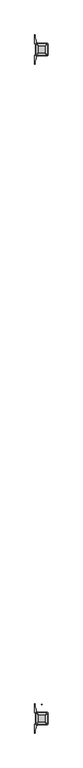
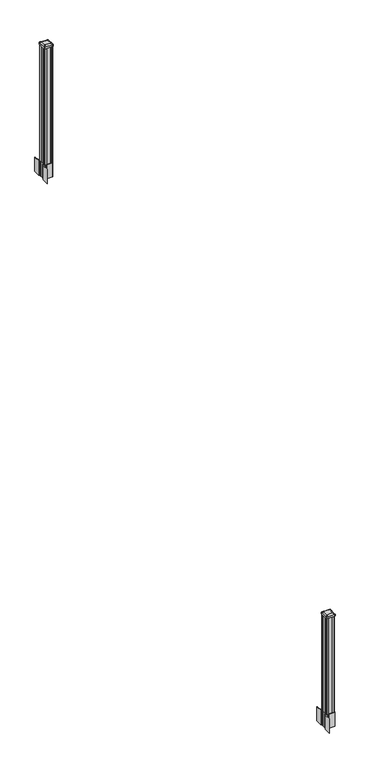
"""IFC4 building model written with IfcOpenShell, lengths in millimetres: railing geometry."""

from ifc_helpers import new_model, si_unit, point, frame, frame_2d, origin, place, context, project, spatial, polyline, circle_curve, trimmed, segment, composite_curve, outline, extrude, source, transform, mapped, element, save
from ifc_brep_helpers import plane_surface, extruded_surface, advanced_brep


def railing_83df1b9d(model_context):
    return source(origin(), model_context, "Body", "SolidModel", [
        extrude(outline(composite_curve([segment(trimmed(circle_curve(frame_2d((8331.6376478, -87394.9628453)), 1.5875), [point((8333.2251478, -87394.9628453))], [point((8331.6376478, -87396.5503453))], False, "CARTESIAN"), True, "CONTINUOUS"), segment(trimmed(circle_curve(frame_2d((8331.6376478, -87394.9628453)), 1.5875), [point((8331.6376478, -87396.5503453))], [point((8330.0501478, -87394.9628453))], False, "CARTESIAN"), True, "CONTINUOUS"), segment(trimmed(circle_curve(frame_2d((8331.6376478, -87394.9628453)), 1.5875), [point((8330.0501478, -87394.9628453))], [point((8331.6376478, -87393.3753453))], False, "CARTESIAN"), True, "CONTINUOUS"), segment(trimmed(circle_curve(frame_2d((8331.6376478, -87394.9628453)), 1.5875), [point((8331.6376478, -87393.3753453))], [point((8333.2251478, -87394.9628453))], False, "CARTESIAN"), True, "CONTINUOUS")], self_intersect=False)), frame((0.0, 0.0, 331.7833781), z_axis=(0.0, 0.0, 1.0), x_axis=(1.0, 0.0, 0.0)), (0.0, 0.0, 1.0), 812.8041219),
        extrude(outline(polyline([(8291.9501478, -82581.5358453), (8290.3626478, -82579.9483453), (8290.3626478, -82560.3268453), (8291.9501478, -82559.5648453), (8291.9501478, -82520.9568453), (8290.3626478, -82520.1948453), (8290.3626478, -82500.5733453), (8291.9501478, -82498.9858453), (8311.5716478, -82498.9858453), (8312.3336478, -82500.5733453), (8350.9416478, -82500.5733453), (8351.7036478, -82498.9858453), (8371.3251478, -82498.9858453), (8372.9126478, -82500.5733453), (8372.9126478, -82520.1948453), (8371.3251478, -82520.9568453), (8371.3251478, -82559.5648453), (8372.9126478, -82560.3268453), (8372.9126478, -82579.9483453), (8371.3251478, -82581.5358453), (8351.7036478, -82581.5358453), (8350.9416478, -82579.9483453), (8312.3336478, -82579.9483453), (8311.5716478, -82581.5358453), (8291.9501478, -82581.5358453)])), frame((0.0, 0.0, 3048.0), z_axis=(0.0, 0.0, 1.0), x_axis=(1.0, 0.0, 0.0)), (0.0, 0.0, 1.0), 1247.740513),
        extrude(outline(composite_curve([segment(polyline([(8374.3731478, -82557.6469401), (8375.9606478, -82558.4089401), (8375.9606478, -82581.2108682), (8372.5876707, -82584.5838453), (8311.1279999, -82584.5838453), (8311.1279999, -82585.5045953), (8305.8104561, -82585.5045953), (8305.8104561, -82586.95885), (8300.7259264, -82586.95885), (8300.7259264, -82588.2428738), (8299.0586541, -82588.2428738)]), True, "CONTINUOUS"), segment(trimmed(circle_curve(frame_2d((8299.0586541, -82595.3023337)), 7.0594599), [point((8299.0586541, -82588.2428738))], [point((8292.2913912, -82593.292327))], True, "CARTESIAN"), True, "CONTINUOUS"), segment(polyline([(8292.2913912, -82593.292327), (8284.4171969, -82619.8030561)]), True, "CONTINUOUS"), segment(trimmed(circle_curve(frame_2d((8339.2017103, -82636.0751057)), 57.15), [point((8284.4171969, -82619.8030561))], [point((8282.0517103, -82636.0751057))], True, "CARTESIAN"), True, "CONTINUOUS"), segment(polyline([(8282.0517103, -82636.0751057), (8282.0517103, -82648.0838453), (8279.0517103, -82648.0838453), (8279.0517103, -82582.9963453), (8287.3146478, -82571.658054), (8287.3146478, -82558.4089401), (8288.9021478, -82557.6469401), (8288.9021478, -82522.8747504), (8287.3146478, -82522.1127504), (8287.3146478, -82508.8636366), (8279.0517103, -82497.5253453), (8279.0517103, -82432.4378453), (8282.0517103, -82432.4378453), (8282.0517103, -82444.4465848)]), True, "CONTINUOUS"), segment(trimmed(circle_curve(frame_2d((8339.2017103, -82444.4465848)), 57.15), [point((8282.0517103, -82444.4465848))], [point((8284.4171969, -82460.7186345))], True, "CARTESIAN"), True, "CONTINUOUS"), segment(polyline([(8284.4171969, -82460.7186345), (8292.2913912, -82487.2293636)]), True, "CONTINUOUS"), segment(trimmed(circle_curve(frame_2d((8299.0586541, -82485.2193569)), 7.0594599), [point((8292.2913912, -82487.2293636))], [point((8299.0586541, -82492.2788168))], True, "CARTESIAN"), True, "CONTINUOUS"), segment(polyline([(8299.0586541, -82492.2788168), (8300.7259264, -82492.2788168), (8300.7259264, -82493.5628406), (8305.8104561, -82493.5628406), (8305.8104561, -82495.0170953), (8311.1279999, -82495.0170953), (8311.1279999, -82495.9378453), (8372.5876707, -82495.9378453), (8375.9606478, -82499.3108224), (8375.9606478, -82522.1127504), (8374.3731478, -82522.8747504), (8374.3731478, -82557.6469401)]), True, "CONTINUOUS")], self_intersect=False), holes=[polyline([(8290.3626478, -82500.5733453), (8290.3626478, -82579.9483453), (8291.9501478, -82581.5358453), (8328.8744304, -82581.5358453), (8371.3251478, -82581.5358453), (8372.9126478, -82579.9483453), (8372.9126478, -82500.5733453), (8371.3251478, -82498.9858453), (8328.8744304, -82498.9858453), (8291.9501478, -82498.9858453), (8290.3626478, -82500.5733453)])]), frame((0.0, 0.0, 2895.6), z_axis=(0.0, 0.0, 1.0), x_axis=(1.0, 0.0, 0.0)), (0.0, 0.0, 1.0), 152.4),
        advanced_brep(
        [(8305.8407728, -82569.2327203, 4324.315513), (8357.4345228, -82569.2327203, 4324.315513), (8360.6095228, -82566.0577203, 4324.315513), (8360.6095228, -82514.4639703, 4324.315513), (8357.4345228, -82511.2889703, 4324.315513), (8305.8407728, -82511.2889703, 4324.315513), (8302.6657728, -82514.4639703, 4324.315513), (8302.6657728, -82566.0577203, 4324.315513), (8289.5688978, -82585.5045953, 4313.012513), (8286.3938978, -82582.3295953, 4313.012513), (8286.3938978, -82498.1920953, 4313.012513), (8289.5688978, -82495.0170953, 4313.012513), (8373.7063978, -82495.0170953, 4313.012513), (8376.8813978, -82498.1920953, 4313.012513), (8376.8813978, -82582.3295953, 4313.012513), (8373.7063978, -82585.5045953, 4313.012513)],
        [
            (0, 1),
            (1, 2, circle_curve(frame((8357.4345228, -82566.0577203, 4324.315513), z_axis=(0.0, 0.0, 1.0), x_axis=(0.0, 1.0, 0.0)), 3.175)),
            (2, 3),
            (3, 4, circle_curve(frame((8357.4345228, -82514.4639703, 4324.315513), z_axis=(0.0, 0.0, 1.0), x_axis=(0.0, 1.0, 0.0)), 3.175)),
            (4, 5),
            (5, 6, circle_curve(frame((8305.8407728, -82514.4639703, 4324.315513), z_axis=(0.0, 0.0, 1.0), x_axis=(0.0, 1.0, 0.0)), 3.175)),
            (6, 7),
            (7, 0, circle_curve(frame((8305.8407728, -82566.0577203, 4324.315513), z_axis=(0.0, 0.0, 1.0), x_axis=(0.0, 1.0, 0.0)), 3.175)),
            (8, 9, circle_curve(frame((8289.5688978, -82582.3295953, 4313.012513), z_axis=(0.0, 0.0, -1.0), x_axis=(0.0, 1.0, 0.0)), 3.175)),
            (9, 10),
            (10, 11, circle_curve(frame((8289.5688978, -82498.1920953, 4313.012513), z_axis=(0.0, 0.0, -1.0), x_axis=(0.0, 1.0, 0.0)), 3.175)),
            (11, 12),
            (12, 13, circle_curve(frame((8373.7063978, -82498.1920953, 4313.012513), z_axis=(0.0, 0.0, -1.0), x_axis=(0.0, 1.0, 0.0)), 3.175)),
            (13, 14),
            (14, 15, circle_curve(frame((8373.7063978, -82582.3295953, 4313.012513), z_axis=(0.0, 0.0, -1.0), x_axis=(0.0, 1.0, 0.0)), 3.175)),
            (15, 8),
            (8, 0),
            (7, 9),
            (6, 10),
            (5, 11),
            (4, 12),
            (3, 13),
            (2, 14),
            (1, 15),
        ],
        [
            plane_surface(frame((8331.6376478, -82540.2608453, 4324.315513), z_axis=(0.0, 0.0, 1.0), x_axis=(-1.0, 0.0, 0.0))),
            plane_surface(frame((8331.6376478, -82540.2608453, 4313.012513), z_axis=(0.0, 0.0, -1.0), x_axis=(-1.0, 0.0, 0.0))),
            extruded_surface(trimmed(circle_curve(frame((8305.8407728, -82566.0577203, 4324.315513), z_axis=(0.0, 0.0, -1.0), x_axis=(0.0, 1.0, 0.0)), 3.175), [point((8305.8407728, -82569.2327203, 4324.315513))], [point((8302.6657728, -82566.0577203, 4324.315513))], True, "CARTESIAN"), (-16.271875000000364, -16.27187500000582, -11.302999999999884), 25.637972638870036),
            plane_surface(frame((8286.3938978, -82540.2608453, 4313.012513), z_axis=(-0.5705009161540687, 0.0, 0.8212969649690472), x_axis=(0.0, 1.0, 0.0))),
            extruded_surface(trimmed(circle_curve(frame((8305.8407728, -82514.4639703, 4324.315513), z_axis=(0.0, 0.0, -1.0), x_axis=(0.0, 1.0, 0.0)), 3.175), [point((8302.6657728, -82514.4639703, 4324.315513))], [point((8305.8407728, -82511.2889703, 4324.315513))], True, "CARTESIAN"), (-16.271875000000364, 16.27187500000582, -11.302999999999884), 25.637972638870036),
            plane_surface(frame((8331.6376478, -82495.0170953, 4313.012513), z_axis=(0.0, 0.5705009161540291, 0.8212969649690747), x_axis=(1.0, 0.0, 0.0))),
            extruded_surface(trimmed(circle_curve(frame((8357.4345228, -82514.4639703, 4324.315513), z_axis=(0.0, 0.0, -1.0), x_axis=(0.0, 1.0, 0.0)), 3.175), [point((8357.4345228, -82511.2889703, 4324.315513))], [point((8360.6095228, -82514.4639703, 4324.315513))], True, "CARTESIAN"), (16.271875000000364, 16.27187500000582, -11.302999999999884), 25.637972638870036),
            plane_surface(frame((8376.8813978, -82540.2608453, 4313.012513), z_axis=(0.5705009161540233, 0.0, 0.8212969649690787), x_axis=(0.0, -1.0, 0.0))),
            extruded_surface(trimmed(circle_curve(frame((8357.4345228, -82566.0577203, 4324.315513), z_axis=(0.0, 0.0, -1.0), x_axis=(0.0, 1.0, 0.0)), 3.175), [point((8360.6095228, -82566.0577203, 4324.315513))], [point((8357.4345228, -82569.2327203, 4324.315513))], True, "CARTESIAN"), (16.271875000000364, -16.27187500000582, -11.302999999999884), 25.637972638870036),
            plane_surface(frame((8331.6376478, -82585.5045953, 4313.012513), z_axis=(0.0, -0.570500916154034, 0.8212969649690713), x_axis=(-1.0, 0.0, 0.0))),
        ],
        [
            (0, [[1, 2, 3, 4, 5, 6, 7, 8]]),
            (1, [[9, 10, 11, 12, 13, 14, 15, 16]]),
            (2, [[17, -8, 18, -9]]),
            (3, [[-18, -7, 19, -10]]),
            (4, [[-19, -6, 20, -11]]),
            (5, [[-20, -5, 21, -12]]),
            (6, [[-21, -4, 22, -13]]),
            (7, [[-22, -3, 23, -14]]),
            (8, [[-23, -2, 24, -15]]),
            (9, [[-24, -1, -17, -16]]),
        ],
    ),
        extrude(outline(composite_curve([segment(trimmed(circle_curve(frame_2d((8289.5688978, -82582.3295953)), 3.175), [point((8289.5688978, -82585.5045953))], [point((8286.3938978, -82582.3295953))], False, "CARTESIAN"), True, "CONTINUOUS"), segment(polyline([(8286.3938978, -82582.3295953), (8286.3938978, -82498.1920953)]), True, "CONTINUOUS"), segment(trimmed(circle_curve(frame_2d((8289.5688978, -82498.1920953)), 3.175), [point((8286.3938978, -82498.1920953))], [point((8289.5688978, -82495.0170953))], False, "CARTESIAN"), True, "CONTINUOUS"), segment(polyline([(8289.5688978, -82495.0170953), (8373.7063978, -82495.0170953)]), True, "CONTINUOUS"), segment(trimmed(circle_curve(frame_2d((8373.7063978, -82498.1920953)), 3.175), [point((8373.7063978, -82495.0170953))], [point((8376.8813978, -82498.1920953))], False, "CARTESIAN"), True, "CONTINUOUS"), segment(polyline([(8376.8813978, -82498.1920953), (8376.8813978, -82582.3295953)]), True, "CONTINUOUS"), segment(trimmed(circle_curve(frame_2d((8373.7063978, -82582.3295953)), 3.175), [point((8376.8813978, -82582.3295953))], [point((8373.7063978, -82585.5045953))], False, "CARTESIAN"), True, "CONTINUOUS"), segment(polyline([(8373.7063978, -82585.5045953), (8289.5688978, -82585.5045953)]), True, "CONTINUOUS")], self_intersect=False)), frame((0.0, 0.0, 4295.740513), z_axis=(0.0, 0.0, 1.0), x_axis=(1.0, 0.0, 0.0)), (0.0, 0.0, 1.0), 17.272),
        extrude(outline(composite_curve([segment(polyline([(8374.3731478, -87517.2509401), (8375.9606478, -87518.0129401), (8375.9606478, -87540.8148682), (8372.5876707, -87544.1878453), (8311.1279999, -87544.1878453), (8311.1279999, -87545.1085953), (8305.8104561, -87545.1085953), (8305.8104561, -87546.56285), (8300.7259264, -87546.56285), (8300.7259264, -87547.8468738), (8299.0586541, -87547.8468738)]), True, "CONTINUOUS"), segment(trimmed(circle_curve(frame_2d((8299.0586541, -87554.9063337)), 7.0594599), [point((8299.0586541, -87547.8468738))], [point((8292.2913912, -87552.896327))], True, "CARTESIAN"), True, "CONTINUOUS"), segment(polyline([(8292.2913912, -87552.896327), (8284.4171969, -87579.4070561)]), True, "CONTINUOUS"), segment(trimmed(circle_curve(frame_2d((8339.2017103, -87595.6791057)), 57.15), [point((8284.4171969, -87579.4070561))], [point((8282.0517103, -87595.6791057))], True, "CARTESIAN"), True, "CONTINUOUS"), segment(polyline([(8282.0517103, -87595.6791057), (8282.0517103, -87607.6878453), (8279.0517103, -87607.6878453), (8279.0517103, -87542.6003453), (8287.3146478, -87531.262054), (8287.3146478, -87518.0129401), (8288.9021478, -87517.2509401), (8288.9021478, -87482.4787504), (8287.3146478, -87481.7167504), (8287.3146478, -87468.4676366), (8279.0517103, -87457.1293453), (8279.0517103, -87392.0418453), (8282.0517103, -87392.0418453), (8282.0517103, -87404.0505848)]), True, "CONTINUOUS"), segment(trimmed(circle_curve(frame_2d((8339.2017103, -87404.0505848)), 57.15), [point((8282.0517103, -87404.0505848))], [point((8284.4171969, -87420.3226345))], True, "CARTESIAN"), True, "CONTINUOUS"), segment(polyline([(8284.4171969, -87420.3226345), (8292.2913912, -87446.8333636)]), True, "CONTINUOUS"), segment(trimmed(circle_curve(frame_2d((8299.0586541, -87444.8233569)), 7.0594599), [point((8292.2913912, -87446.8333636))], [point((8299.0586541, -87451.8828168))], True, "CARTESIAN"), True, "CONTINUOUS"), segment(polyline([(8299.0586541, -87451.8828168), (8300.7259264, -87451.8828168), (8300.7259264, -87453.1668406), (8305.8104561, -87453.1668406), (8305.8104561, -87454.6210953), (8311.1279999, -87454.6210953), (8311.1279999, -87455.5418453), (8372.5876707, -87455.5418453), (8375.9606478, -87458.9148224), (8375.9606478, -87481.7167504), (8374.3731478, -87482.4787504), (8374.3731478, -87517.2509401)]), True, "CONTINUOUS")], self_intersect=False), holes=[polyline([(8290.3626478, -87460.1773453), (8290.3626478, -87539.5523453), (8291.9501478, -87541.1398453), (8328.8744304, -87541.1398453), (8371.3251478, -87541.1398453), (8372.9126478, -87539.5523453), (8372.9126478, -87460.1773453), (8371.3251478, -87458.5898453), (8328.8744304, -87458.5898453), (8291.9501478, -87458.5898453), (8290.3626478, -87460.1773453)])]), frame((0.0, 0.0, 12.22375), z_axis=(0.0, 0.0, 1.0), x_axis=(1.0, 0.0, 0.0)), (0.0, 0.0, 1.0), 152.4),
        advanced_brep(
        [(8305.8407728, -87528.8367203, 1224.563013), (8357.4345228, -87528.8367203, 1224.563013), (8360.6095228, -87525.6617203, 1224.563013), (8360.6095228, -87474.0679703, 1224.563013), (8357.4345228, -87470.8929703, 1224.563013), (8305.8407728, -87470.8929703, 1224.563013), (8302.6657728, -87474.0679703, 1224.563013), (8302.6657728, -87525.6617203, 1224.563013), (8289.5688978, -87545.1085953, 1213.260013), (8286.3938978, -87541.9335953, 1213.260013), (8286.3938978, -87457.7960953, 1213.260013), (8289.5688978, -87454.6210953, 1213.260013), (8373.7063978, -87454.6210953, 1213.260013), (8376.8813978, -87457.7960953, 1213.260013), (8376.8813978, -87541.9335953, 1213.260013), (8373.7063978, -87545.1085953, 1213.260013)],
        [
            (0, 1),
            (1, 2, circle_curve(frame((8357.4345228, -87525.6617203, 1224.563013), z_axis=(0.0, 0.0, 1.0), x_axis=(0.0, 1.0, 0.0)), 3.175)),
            (2, 3),
            (3, 4, circle_curve(frame((8357.4345228, -87474.0679703, 1224.563013), z_axis=(0.0, 0.0, 1.0), x_axis=(0.0, 1.0, 0.0)), 3.175)),
            (4, 5),
            (5, 6, circle_curve(frame((8305.8407728, -87474.0679703, 1224.563013), z_axis=(0.0, 0.0, 1.0), x_axis=(0.0, 1.0, 0.0)), 3.175)),
            (6, 7),
            (7, 0, circle_curve(frame((8305.8407728, -87525.6617203, 1224.563013), z_axis=(0.0, 0.0, 1.0), x_axis=(0.0, 1.0, 0.0)), 3.175)),
            (8, 9, circle_curve(frame((8289.5688978, -87541.9335953, 1213.260013), z_axis=(0.0, 0.0, -1.0), x_axis=(0.0, 1.0, 0.0)), 3.175)),
            (9, 10),
            (10, 11, circle_curve(frame((8289.5688978, -87457.7960953, 1213.260013), z_axis=(0.0, 0.0, -1.0), x_axis=(0.0, 1.0, 0.0)), 3.175)),
            (11, 12),
            (12, 13, circle_curve(frame((8373.7063978, -87457.7960953, 1213.260013), z_axis=(0.0, 0.0, -1.0), x_axis=(0.0, 1.0, 0.0)), 3.175)),
            (13, 14),
            (14, 15, circle_curve(frame((8373.7063978, -87541.9335953, 1213.260013), z_axis=(0.0, 0.0, -1.0), x_axis=(0.0, 1.0, 0.0)), 3.175)),
            (15, 8),
            (8, 0),
            (7, 9),
            (6, 10),
            (5, 11),
            (4, 12),
            (3, 13),
            (2, 14),
            (1, 15),
        ],
        [
            plane_surface(frame((8331.6376478, -87499.8648453, 1224.563013), z_axis=(0.0, 0.0, 1.0), x_axis=(-1.0, 0.0, 0.0))),
            plane_surface(frame((8331.6376478, -87499.8648453, 1213.260013), z_axis=(0.0, 0.0, -1.0), x_axis=(-1.0, 0.0, 0.0))),
            extruded_surface(trimmed(circle_curve(frame((8305.8407728, -87525.6617203, 1224.563013), z_axis=(0.0, 0.0, -1.0), x_axis=(0.0, 1.0, 0.0)), 3.175), [point((8305.8407728, -87528.8367203, 1224.563013))], [point((8302.6657728, -87525.6617203, 1224.563013))], True, "CARTESIAN"), (-16.271875000000364, -16.27187499999127, -11.302999999999884), 25.637972638860802),
            plane_surface(frame((8286.3938978, -87499.8648453, 1213.260013), z_axis=(-0.5705009161540778, 0.0, 0.8212969649690408), x_axis=(0.0, 1.0, 0.0))),
            extruded_surface(trimmed(circle_curve(frame((8305.8407728, -87474.0679703, 1224.563013), z_axis=(0.0, 0.0, -1.0), x_axis=(0.0, 1.0, 0.0)), 3.175), [point((8302.6657728, -87474.0679703, 1224.563013))], [point((8305.8407728, -87470.8929703, 1224.563013))], True, "CARTESIAN"), (-16.271875000000364, 16.27187500000582, -11.302999999999884), 25.637972638870036),
            plane_surface(frame((8331.6376478, -87454.6210953, 1213.260013), z_axis=(0.0, 0.5705009161540291, 0.8212969649690747), x_axis=(1.0, 0.0, 0.0))),
            extruded_surface(trimmed(circle_curve(frame((8357.4345228, -87474.0679703, 1224.563013), z_axis=(0.0, 0.0, -1.0), x_axis=(0.0, 1.0, 0.0)), 3.175), [point((8357.4345228, -87470.8929703, 1224.563013))], [point((8360.6095228, -87474.0679703, 1224.563013))], True, "CARTESIAN"), (16.271875000000364, 16.27187500000582, -11.302999999999884), 25.637972638870036),
            plane_surface(frame((8376.8813978, -87499.8648453, 1213.260013), z_axis=(0.5705009161540142, 0.0, 0.8212969649690851), x_axis=(0.0, -1.0, 0.0))),
            extruded_surface(trimmed(circle_curve(frame((8357.4345228, -87525.6617203, 1224.563013), z_axis=(0.0, 0.0, -1.0), x_axis=(0.0, 1.0, 0.0)), 3.175), [point((8360.6095228, -87525.6617203, 1224.563013))], [point((8357.4345228, -87528.8367203, 1224.563013))], True, "CARTESIAN"), (16.271875000000364, -16.27187499999127, -11.302999999999884), 25.637972638860802),
            plane_surface(frame((8331.6376478, -87545.1085953, 1213.260013), z_axis=(0.0, -0.570500916154034, 0.8212969649690713), x_axis=(-1.0, 0.0, 0.0))),
        ],
        [
            (0, [[1, 2, 3, 4, 5, 6, 7, 8]]),
            (1, [[9, 10, 11, 12, 13, 14, 15, 16]]),
            (2, [[17, -8, 18, -9]]),
            (3, [[-18, -7, 19, -10]]),
            (4, [[-19, -6, 20, -11]]),
            (5, [[-20, -5, 21, -12]]),
            (6, [[-21, -4, 22, -13]]),
            (7, [[-22, -3, 23, -14]]),
            (8, [[-23, -2, 24, -15]]),
            (9, [[-24, -1, -17, -16]]),
        ],
    ),
        extrude(outline(composite_curve([segment(trimmed(circle_curve(frame_2d((8289.5688978, -87541.9335953)), 3.175), [point((8289.5688978, -87545.1085953))], [point((8286.3938978, -87541.9335953))], False, "CARTESIAN"), True, "CONTINUOUS"), segment(polyline([(8286.3938978, -87541.9335953), (8286.3938978, -87457.7960953)]), True, "CONTINUOUS"), segment(trimmed(circle_curve(frame_2d((8289.5688978, -87457.7960953)), 3.175), [point((8286.3938978, -87457.7960953))], [point((8289.5688978, -87454.6210953))], False, "CARTESIAN"), True, "CONTINUOUS"), segment(polyline([(8289.5688978, -87454.6210953), (8373.7063978, -87454.6210953)]), True, "CONTINUOUS"), segment(trimmed(circle_curve(frame_2d((8373.7063978, -87457.7960953)), 3.175), [point((8373.7063978, -87454.6210953))], [point((8376.8813978, -87457.7960953))], False, "CARTESIAN"), True, "CONTINUOUS"), segment(polyline([(8376.8813978, -87457.7960953), (8376.8813978, -87541.9335953)]), True, "CONTINUOUS"), segment(trimmed(circle_curve(frame_2d((8373.7063978, -87541.9335953)), 3.175), [point((8376.8813978, -87541.9335953))], [point((8373.7063978, -87545.1085953))], False, "CARTESIAN"), True, "CONTINUOUS"), segment(polyline([(8373.7063978, -87545.1085953), (8289.5688978, -87545.1085953)]), True, "CONTINUOUS")], self_intersect=False)), frame((0.0, 0.0, 1195.988013), z_axis=(0.0, 0.0, 1.0), x_axis=(1.0, 0.0, 0.0)), (0.0, 0.0, 1.0), 17.272),
        extrude(outline(polyline([(8291.9501478, -87541.1398453), (8290.3626478, -87539.5523453), (8290.3626478, -87519.9308453), (8291.9501478, -87519.1688453), (8291.9501478, -87480.5608453), (8290.3626478, -87479.7988453), (8290.3626478, -87460.1773453), (8291.9501478, -87458.5898453), (8311.5716478, -87458.5898453), (8312.3336478, -87460.1773453), (8350.9416478, -87460.1773453), (8351.7036478, -87458.5898453), (8371.3251478, -87458.5898453), (8372.9126478, -87460.1773453), (8372.9126478, -87479.7988453), (8371.3251478, -87480.5608453), (8371.3251478, -87519.1688453), (8372.9126478, -87519.9308453), (8372.9126478, -87539.5523453), (8371.3251478, -87541.1398453), (8351.7036478, -87541.1398453), (8350.9416478, -87539.5523453), (8312.3336478, -87539.5523453), (8311.5716478, -87541.1398453), (8291.9501478, -87541.1398453)])), frame((0.0, 0.0, 164.62375), z_axis=(0.0, 0.0, 1.0), x_axis=(1.0, 0.0, 0.0)), (0.0, 0.0, 1.0), 1031.364263),
    ])


if __name__ == "__main__":
    model = new_model("IFC4")
    model_context = context("Model", 3, world=origin())
    ifc_project = project(units=[si_unit("LENGTHUNIT", "METRE", prefix="MILLI")], contexts=[model_context])
    site = spatial("IfcSite", under=ifc_project)
    building = spatial("IfcBuilding", under=site)
    placement = place(None, origin())
    railing_shape = railing_83df1b9d(model_context)
    element("IfcRailing", 1, at=placement, inside=building, context=model_context, shape_type="MappedRepresentation", body=[
        mapped(railing_shape, transform((0.0, 0.0, 0.0), x_axis=(1.0, 0.0, 0.0), y_axis=(0.0, 1.0, 0.0), z_axis=(0.0, 0.0, 1.0))),
    ])
    save(model, "model.ifc")
